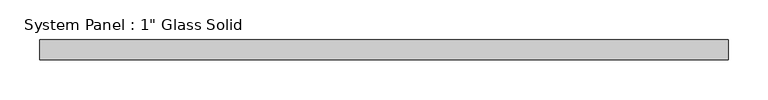
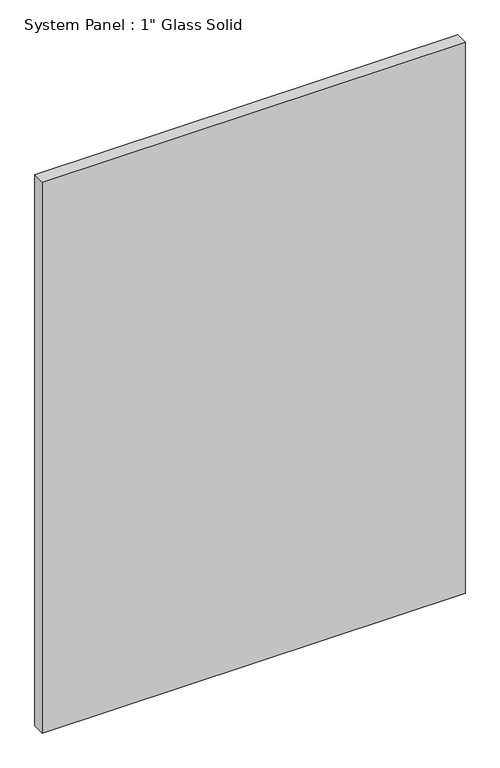
"""IFC4 building model written with IfcOpenShell, lengths in millimetres: plate geometry."""

import ifcopenshell
import ifcopenshell.guid

model = None  # the IFC model being written
_history = None  # IfcOwnerHistory: only IFC2X3 demands one
_inside = {}  # id of a spatial element -> (the spatial element, [elements in it])
_under = {}  # id of a project, library or spatial element -> (it, [spatial elements below it])
_declared = {}  # id of a project -> (the project, [libraries it declares])
_typed = {}  # id of a type object -> (the type object, [elements of that type])
_made_of = {}  # id of a material, layer set ... -> (it, [elements and type objects made of it])


def new_model(schema):
    """Start an empty IFC model of exactly this schema.

    Asked for "IFC4X3", IfcOpenShell would pick the latest addendum, in which some entities
    have other attributes; the version numbers below select the first issue.
    IFC2X3 requires an IfcOwnerHistory on every rooted entity: one is made here for all.
    """
    global model, _history
    if schema == "IFC4X3":
        model = ifcopenshell.file(schema_version=(4, 3, 0, 0))
    else:
        model = ifcopenshell.file(schema=schema)
    _inside.clear()
    _under.clear()
    _declared.clear()
    _typed.clear()
    _made_of.clear()
    _history = None
    if model.schema == "IFC2X3":
        org = make("IfcOrganization", Name="unknown")
        user = make(
            "IfcPersonAndOrganization",
            ThePerson=make("IfcPerson", FamilyName="unknown"),
            TheOrganization=org,
        )
        app = make(
            "IfcApplication",
            ApplicationDeveloper=org,
            Version="unknown",
            ApplicationFullName="unknown",
            ApplicationIdentifier="unknown",
        )
        _history = make(
            "IfcOwnerHistory",
            OwningUser=user,
            OwningApplication=app,
            ChangeAction="ADDED",
            CreationDate=0,
        )
    return model


def make(cls, **values):
    """One entity of the class cls with the attributes given. An attribute that is None is left unset."""
    return model.create_entity(
        cls, **{name: value for name, value in values.items() if value is not None}
    )


def rooted(cls, **values):
    """An entity with a GlobalId (a new one), such as an element, a storey or a relation."""
    return make(cls, GlobalId=ifcopenshell.guid.new(), OwnerHistory=_history, **values)


def si_unit(unit_type, name, prefix=None):
    """IfcSIUnit, for example si_unit("LENGTHUNIT", "METRE", prefix="MILLI")."""
    return make("IfcSIUnit", UnitType=unit_type, Prefix=prefix, Name=name)


def assignment(units):
    """IfcUnitAssignment: the units of a project."""
    return None if units is None else make("IfcUnitAssignment", Units=units)


def point(xyz):
    """IfcCartesianPoint."""
    return None if xyz is None else make("IfcCartesianPoint", Coordinates=xyz)


def direction(xyz):
    """IfcDirection."""
    return None if xyz is None else make("IfcDirection", DirectionRatios=xyz)


def frame(location, z_axis=None, x_axis=None):
    """IfcAxis2Placement3D, a coordinate frame: its origin and axes. An axis left out is left unset."""
    return make(
        "IfcAxis2Placement3D",
        Location=point(location),
        Axis=direction(z_axis),
        RefDirection=direction(x_axis),
    )


def origin():
    """The frame at (0, 0, 0) with its axes left unset."""
    return frame((0.0, 0.0, 0.0))


def origin_with_axes():
    """The frame at (0, 0, 0) with the z axis (0, 0, 1) and the x axis (1, 0, 0) written out."""
    return frame((0.0, 0.0, 0.0), z_axis=(0.0, 0.0, 1.0), x_axis=(1.0, 0.0, 0.0))


def place(relative_to, where):
    """IfcLocalPlacement: puts the frame where relative to a parent placement (None: the world)."""
    return make(
        "IfcLocalPlacement", PlacementRelTo=relative_to, RelativePlacement=where
    )


def context(
    kind, dimensions, precision=None, world=None, true_north=None, identifier=None
):
    """IfcGeometricRepresentationContext, for example the 3D "Model" context."""
    return make(
        "IfcGeometricRepresentationContext",
        ContextIdentifier=identifier,
        ContextType=kind,
        CoordinateSpaceDimension=dimensions,
        Precision=precision,
        WorldCoordinateSystem=world,
        TrueNorth=true_north,
    )


def project(units=None, contexts=None):
    """IfcProject with its units and contexts."""
    return rooted(
        "IfcProject",
        Name="project",
        RepresentationContexts=contexts,
        UnitsInContext=assignment(units),
    )


def spatial(cls, under=None, at=None, **own):
    """A site, building, storey or space (cls), placed at a placement, below another one or the project."""
    s = rooted(cls, ObjectPlacement=at, **own)
    if under is not None:
        _under.setdefault(under.id(), (under, []))[1].append(s)
    return s


def polyline(points):
    """IfcPolyline through the points."""
    return make("IfcPolyline", Points=[point(p) for p in points])


def outline(outer, holes=None, kind="AREA"):
    """IfcArbitraryClosedProfileDef: a profile drawn as a closed curve; with holes, ...WithVoids."""
    if holes is None:
        return make("IfcArbitraryClosedProfileDef", ProfileType=kind, OuterCurve=outer)
    return make(
        "IfcArbitraryProfileDefWithVoids",
        ProfileType=kind,
        OuterCurve=outer,
        InnerCurves=holes,
    )


def extrude(swept, where, along, depth):
    """IfcExtrudedAreaSolid: the profile swept, set in the frame where, extruded along a direction by depth."""
    return make(
        "IfcExtrudedAreaSolid",
        SweptArea=swept,
        Position=where,
        ExtrudedDirection=direction(along),
        Depth=depth,
    )


def shape(context_of_items, identifier, shape_type, items):
    """IfcShapeRepresentation: the items that make up one representation, for example the "Body"."""
    return make(
        "IfcShapeRepresentation",
        ContextOfItems=context_of_items,
        RepresentationIdentifier=identifier,
        RepresentationType=shape_type,
        Items=items,
    )


def source(mapping_origin, context_of_items, identifier, shape_type, items):
    """IfcRepresentationMap: a shape defined once, which mapped items show again and again."""
    return make(
        "IfcRepresentationMap",
        MappingOrigin=mapping_origin,
        MappedRepresentation=shape(context_of_items, identifier, shape_type, items),
    )


def transform(
    local_origin,
    x_axis=None,
    y_axis=None,
    z_axis=None,
    scale=None,
    scale2=None,
    scale3=None,
    uniform=True,
):
    """IfcCartesianTransformationOperator3D, or its non-uniform kind. x_axis, y_axis, z_axis: its Axis1, 2, 3."""
    if uniform:
        return make(
            "IfcCartesianTransformationOperator3D",
            Axis1=direction(x_axis),
            Axis2=direction(y_axis),
            LocalOrigin=point(local_origin),
            Scale=scale,
            Axis3=direction(z_axis),
        )
    return make(
        "IfcCartesianTransformationOperator3DnonUniform",
        Axis1=direction(x_axis),
        Axis2=direction(y_axis),
        LocalOrigin=point(local_origin),
        Scale=scale,
        Axis3=direction(z_axis),
        Scale2=scale2,
        Scale3=scale3,
    )


def mapped(mapping_source, mapping_target):
    """IfcMappedItem: shows the shape of a source again, moved by a transform."""
    return make(
        "IfcMappedItem", MappingSource=mapping_source, MappingTarget=mapping_target
    )


def made_of(thing, what):
    """Note that an element or type object is made of a material, layer set ...; save() writes the relation."""
    if what is not None:
        _made_of.setdefault(what.id(), (what, []))[1].append(thing)
    return thing


def element(
    cls,
    number,
    at=None,
    inside=None,
    cuts=None,
    type_object=None,
    material=None,
    context=None,
    identifier="Body",
    shape_type=None,
    held_by="IfcProductDefinitionShape",
    body=None,
    shapes=None,
    **own,
):
    """One element of the class cls, such as IfcWall. Its Tag is "e" and its number.

    at: its placement. inside: the storey or other place that contains it. cuts: it is an
    opening in that element (IfcRelVoidsElement). A single representation is given by context,
    identifier, shape_type and body (its items); several are given by shapes. held_by: the class
    of the entity that holds the representations. save() writes the other relations.
    """
    e = rooted(cls, Tag="e%d" % number, ObjectPlacement=at, **own)
    if body is not None:
        shapes = [shape(context, identifier, shape_type, body)]
    if shapes is not None:
        e.Representation = make(held_by, Representations=shapes)
    if inside is not None:
        _inside.setdefault(inside.id(), (inside, []))[1].append(e)
    if cuts is not None:
        rooted(
            "IfcRelVoidsElement", RelatingBuildingElement=cuts, RelatedOpeningElement=e
        )
    if type_object is not None:
        _typed.setdefault(type_object.id(), (type_object, []))[1].append(e)
    return made_of(e, material)


def aggregate(whole, parts):
    """IfcRelAggregates: a whole, such as a stair, and the parts it consists of."""
    return rooted("IfcRelAggregates", RelatingObject=whole, RelatedObjects=parts)


def save(model, path):
    """Write the relations noted so far, then the file.

    IfcRelAggregates (storeys below a building ...), IfcRelContainedInSpatialStructure (elements
    in a storey), IfcRelDefinesByType, IfcRelAssociatesMaterial and IfcRelDeclares: one each for
    every whole, place, type object, material and project.
    """
    for whole, parts in _under.values():
        aggregate(whole, parts)
    for where, things in _inside.values():
        rooted(
            "IfcRelContainedInSpatialStructure",
            RelatedElements=things,
            RelatingStructure=where,
        )
    for kind, things in _typed.values():
        rooted("IfcRelDefinesByType", RelatedObjects=things, RelatingType=kind)
    for what, things in _made_of.values():
        rooted("IfcRelAssociatesMaterial", RelatedObjects=things, RelatingMaterial=what)
    for by, libraries in _declared.values():
        rooted("IfcRelDeclares", RelatingContext=by, RelatedDefinitions=libraries)
    model.write(path)


def plate_871a3388(model_context):
    return source(origin(), model_context, "Body", "SweptSolid", [
        extrude(outline(polyline([(433.3883852, -12.7), (-433.3883852, -12.7), (-433.3883852, 12.7), (433.3883852, 12.7), (433.3883852, -12.7)])), origin_with_axes(), (0.0, 0.0, 1.0), 1193.8017704),
    ])


if __name__ == "__main__":
    model = new_model("IFC4")
    model_context = context("Model", 3, world=origin())
    ifc_project = project(units=[si_unit("LENGTHUNIT", "METRE", prefix="MILLI")], contexts=[model_context])
    site = spatial("IfcSite", under=ifc_project)
    building = spatial("IfcBuilding", under=site)
    placement = place(None, origin())
    plate_shape = plate_871a3388(model_context)
    element("IfcPlate", 1, ObjectType="System Panel : 1\" Glass Solid", at=placement, inside=building, context=model_context, shape_type="MappedRepresentation", body=[
        mapped(plate_shape, transform((0.0, 0.0, 0.0), x_axis=(1.0, 0.0, 0.0), y_axis=(0.0, 1.0, 0.0), z_axis=(0.0, 0.0, 1.0))),
    ])
    save(model, "model.ifc")
